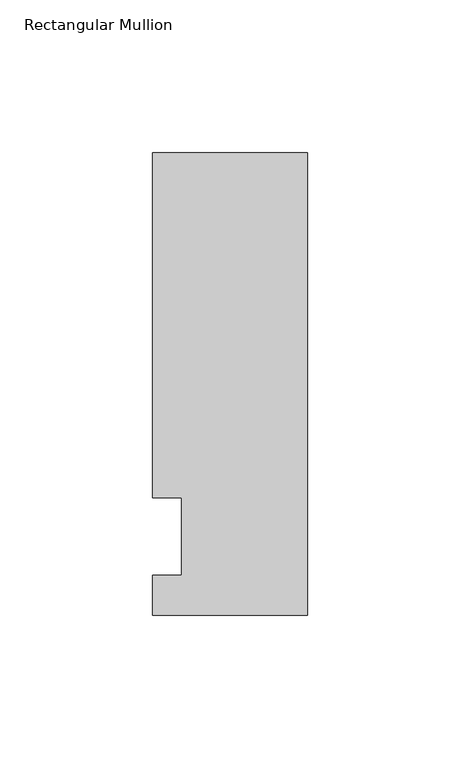
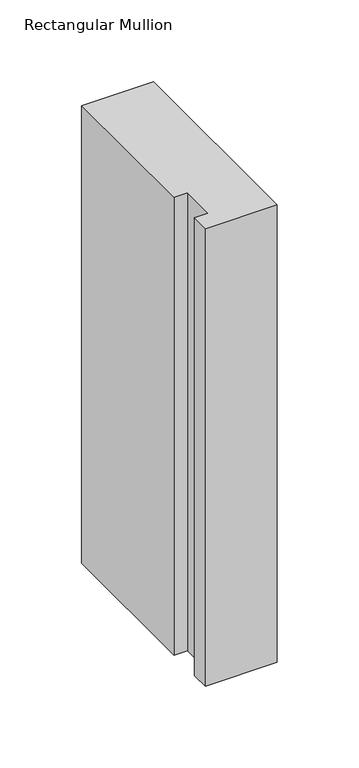
"""IFC4 building model written with IfcOpenShell, lengths in millimetres: member geometry, Rectangular Mullion."""

from ifc_helpers import new_model, si_unit, frame, origin, place, context, project, spatial, polyline, outline, extrude, source, transform, mapped, element, save


def rectangular_mullion_049d2625(model_context):
    return source(origin(), model_context, "Body", "SweptSolid", [
        extrude(outline(polyline([(-50.8, -25.7961253), (-50.8, -12.7), (-41.275, -12.7), (-41.275, 12.7), (-50.8, 12.7), (-50.8, 125.8036906), (0.0, 125.8036906), (0.0, -25.7961253), (-50.8, -25.7961253)])), frame((0.0, 0.0, -341.95385), z_axis=(0.0, 0.0, 1.0), x_axis=(1.0, 0.0, 0.0)), (0.0, 0.0, 1.0), 341.95385),
    ])


if __name__ == "__main__":
    model = new_model("IFC4")
    model_context = context("Model", 3, world=origin())
    ifc_project = project(units=[si_unit("LENGTHUNIT", "METRE", prefix="MILLI")], contexts=[model_context])
    site = spatial("IfcSite", under=ifc_project)
    building = spatial("IfcBuilding", under=site)
    placement = place(None, origin())
    rectangular_mullion_shape = rectangular_mullion_049d2625(model_context)
    element("IfcMember", 1, ObjectType="Rectangular Mullion", at=placement, inside=building, context=model_context, shape_type="MappedRepresentation", body=[
        mapped(rectangular_mullion_shape, transform((0.0, 0.0, 0.0), x_axis=(1.0, 0.0, 0.0), y_axis=(0.0, 1.0, 0.0), z_axis=(0.0, 0.0, 1.0))),
    ])
    save(model, "model.ifc")
